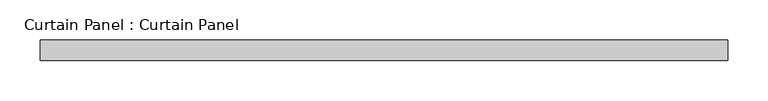
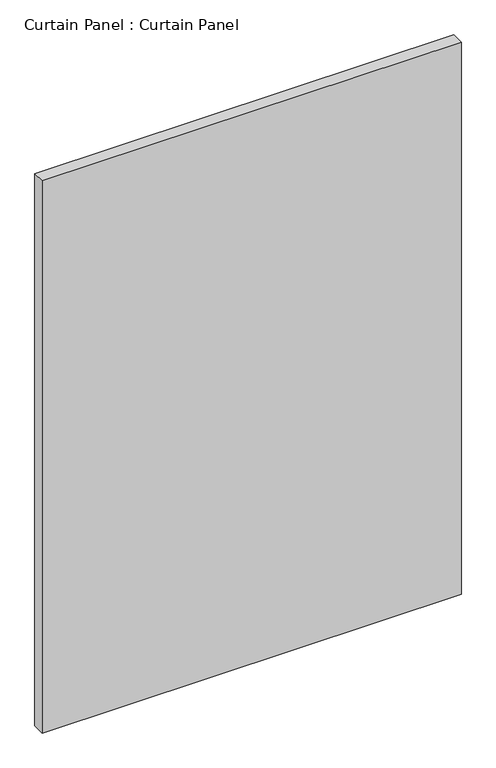
"""IFC4 building model written with IfcOpenShell, lengths in millimetres: plate geometry, Curtain Panel : Curtain Panel."""

from ifc_helpers import new_model, si_unit, frame, origin, place, context, project, spatial, polyline, outline, extrude, source, transform, mapped, element, save


def curtain_panel_curtain_panel_15ed7e42(model_context):
    return source(origin(), model_context, "Body", "SweptSolid", [
        extrude(outline(polyline([(-178566.7628689, 4757.6387985), (-179417.6628689, 4757.6387985), (-179417.6628689, 4783.0387985), (-178566.7628689, 4783.0387985), (-178566.7628689, 4757.6387985)])), frame((0.0, 0.0, 1236.6625), z_axis=(0.0, 0.0, 1.0), x_axis=(1.0, 0.0, 0.0)), (0.0, 0.0, 1.0), 1184.275),
    ])


if __name__ == "__main__":
    model = new_model("IFC4")
    model_context = context("Model", 3, world=origin())
    ifc_project = project(units=[si_unit("LENGTHUNIT", "METRE", prefix="MILLI")], contexts=[model_context])
    site = spatial("IfcSite", under=ifc_project)
    building = spatial("IfcBuilding", under=site)
    placement = place(None, origin())
    curtain_panel_curtain_panel_shape = curtain_panel_curtain_panel_15ed7e42(model_context)
    element("IfcPlate", 1, ObjectType="Curtain Panel : Curtain Panel", at=placement, inside=building, context=model_context, shape_type="MappedRepresentation", body=[
        mapped(curtain_panel_curtain_panel_shape, transform((0.0, 0.0, 0.0), x_axis=(1.0, 0.0, 0.0), y_axis=(0.0, 1.0, 0.0), z_axis=(0.0, 0.0, 1.0))),
    ])
    save(model, "model.ifc")
